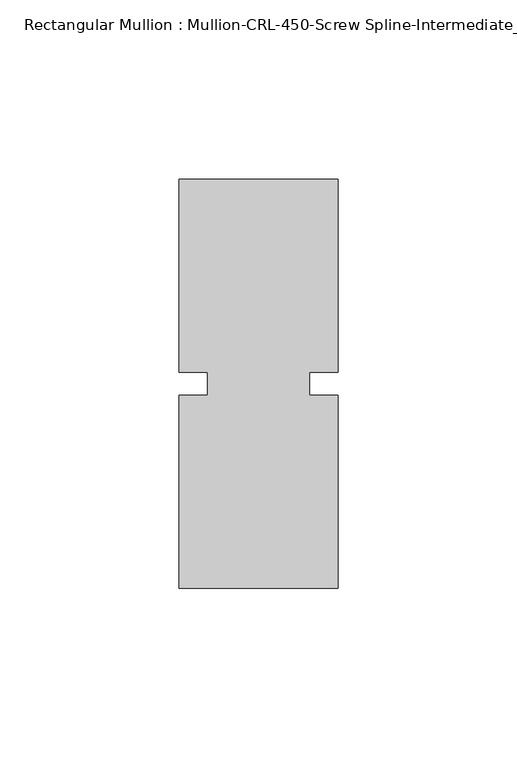
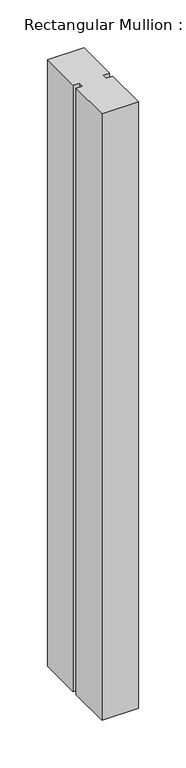
"""IFC4 building model written with IfcOpenShell, lengths in millimetres: member geometry, Rectangular Mullion : Mullion-CRL-450-Screw Spline-Intermediate_Vertical."""

from ifc_helpers import new_model, si_unit, frame, origin, place, context, project, spatial, polyline, outline, extrude, source, transform, mapped, element, save


def rectangular_mullion_mullion_crl_450_screw_spline_ac955140(model_context):
    return source(origin(), model_context, "Body", "SweptSolid", [
        extrude(outline(polyline([(-22.2250071, -3.175), (-14.2875071, -3.175), (-14.2875071, 3.175), (-22.2250071, 3.175), (-22.2250071, 57.15), (22.2250071, 57.15), (22.2250071, 3.175), (14.2875071, 3.175), (14.2875071, -3.175), (22.2250071, -3.175), (22.2250071, -57.15), (-22.2250071, -57.15), (-22.2250071, -3.175)])), frame((0.0, 0.0, -777.8750696), z_axis=(0.0, 0.0, 1.0), x_axis=(1.0, 0.0, 0.0)), (0.0, 0.0, 1.0), 777.8750696),
    ])


if __name__ == "__main__":
    model = new_model("IFC4")
    model_context = context("Model", 3, world=origin())
    ifc_project = project(units=[si_unit("LENGTHUNIT", "METRE", prefix="MILLI")], contexts=[model_context])
    site = spatial("IfcSite", under=ifc_project)
    building = spatial("IfcBuilding", under=site)
    placement = place(None, origin())
    rectangular_mullion_mullion_crl_450_screw_spline_shape = rectangular_mullion_mullion_crl_450_screw_spline_ac955140(model_context)
    element("IfcMember", 1, ObjectType="Rectangular Mullion : Mullion-CRL-450-Screw Spline-Intermediate_Vertical", at=placement, inside=building, context=model_context, shape_type="MappedRepresentation", body=[
        mapped(rectangular_mullion_mullion_crl_450_screw_spline_shape, transform((0.0, 0.0, 0.0), x_axis=(1.0, 0.0, 0.0), y_axis=(0.0, 1.0, 0.0), z_axis=(0.0, 0.0, 1.0))),
    ])
    save(model, "model.ifc")
